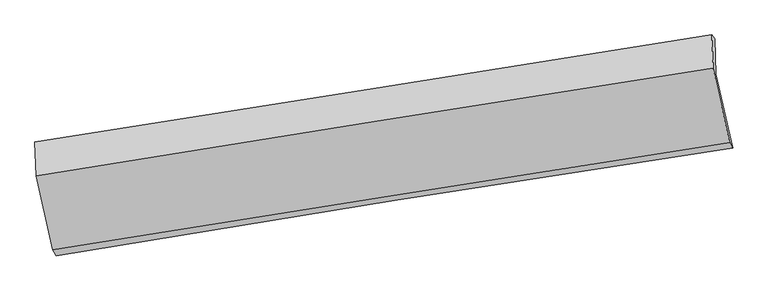
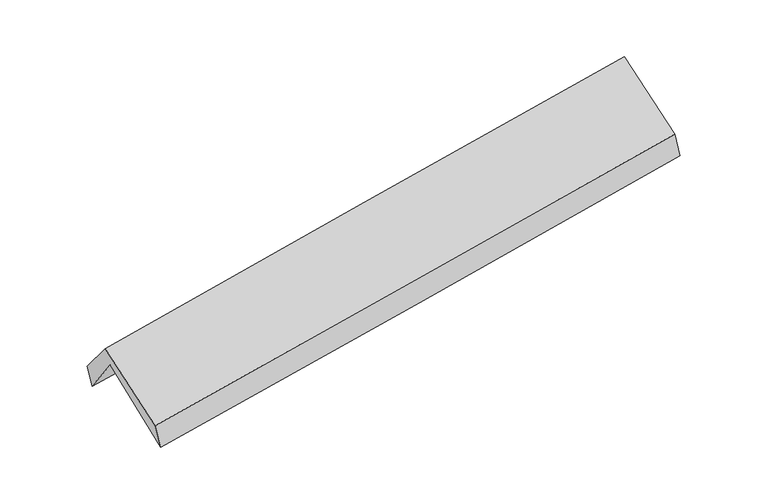
"""IFC4 building model written with IfcOpenShell, lengths in millimetres: proxy geometry."""

from ifc_helpers import new_model, si_unit, frame, origin, place, context, project, spatial, source, transform, mapped, element, save
from ifc_brep_helpers import plane_surface, spline_curve, spline_surface, advanced_brep


def generic_models_ea0997cc(model_context):
    return source(origin(), model_context, "Body", "AdvancedBrep", [
        advanced_brep(
        [(-2264.2676601, -2467.1407673, 1494.1979925), (-2383.3471133, -1957.7204396, 1940.254179), (2315.5506262, -1204.9016033, 2342.2048101), (2431.2562439, -1719.2215946, 1922.4493798), (-2391.4162876, -1712.2400113, 1610.3847268), (2306.2267929, -959.8433148, 2026.690924), (-2410.9585192, -1678.630931, 1768.9209257), (2287.0259862, -933.10384, 2196.9036441), (-2400.9132812, -1914.7990358, 2061.0631095), (2295.8541483, -1165.1344041, 2495.6442638), (-2285.7383791, -2426.8028871, 1662.5547146), (2410.1345105, -1680.7509214, 2094.1533826)],
        [
            (0, 1),
            (1, 2, spline_curve(3, [(-2383.3471133, -1957.7204396, 1940.254179), (-1598.981508458, -1834.77120891, 1997.935835415), (-815.224377543, -1710.561769666, 2060.272502321), (751.074871774, -1459.622163895, 2194.256022924), (1533.616987606, -1332.891990881, 2265.902899654), (2315.5506262, -1204.9016033, 2342.2048101)], [4, 2, 4], [0.0, 7.832913917164651, 15.665847202175286])),
            (2, 3),
            (3, 0, spline_curve(3, [(2431.2562439, -1719.2215946, 1922.4493798), (1648.629571129, -1837.077119778, 1839.751412484), (866.022092471, -1958.3315611, 1762.714775933), (-699.152542229, -2207.63796888, 1619.964341751), (-1481.719698076, -2335.689918216, 1554.250515561), (-2264.2676601, -2467.1407673, 1494.1979925)], [4, 2, 4], [0.0, 7.832933285010634, 15.665847202175286])),
            (1, 4),
            (4, 5, spline_curve(3, [(-2391.4162876, -1712.2400113, 1610.3847268), (-1606.969659142, -1588.805791895, 1666.230941777), (-823.276571416, -1464.389036144, 1728.846181315), (742.60445913, -1213.590141991, 1867.614880046), (1524.792398195, -1087.207999107, 1943.768373084), (2306.2267929, -959.8433148, 2026.690924)], [4, 2, 4], [0.0, 7.834396306726694, 15.668811984964762])),
            (5, 2),
            (4, 6),
            (6, 7, spline_curve(3, [(-2410.9585192, -1678.630931, 1768.9209257), (-1627.829187332, -1554.651083716, 1839.133336037), (-844.766296444, -1430.533979447, 1909.904722793), (721.2285389, -1182.024949719, 2052.56562638), (1504.160483314, -1057.633023645, 2124.455145473), (2287.0259862, -933.10384, 2196.9036441)], [4, 2, 4], [0.0, 7.834451657738864, 15.668922687125963])),
            (7, 5),
            (6, 8),
            (8, 9, spline_curve(3, [(-2400.9132812, -1914.7990358, 2061.0631095), (-1618.460255711, -1787.629196491, 2133.339489148), (-835.83694158, -1661.572299844, 2205.692730463), (729.752200934, -1411.684083817, 2350.553114629), (1512.718029649, -1287.85276983, 2423.060258379), (2295.8541483, -1165.1344041, 2495.6442638)], [4, 2, 4], [0.0, 7.834650238655046, 15.669319849449344])),
            (9, 7),
            (8, 10),
            (10, 11, spline_curve(3, [(-2285.7383791, -2426.8028871, 1662.5547146), (-1503.1213785, -2301.599099533, 1733.198866982), (-720.490621071, -2176.826284855, 1804.487453393), (844.800342056, -1928.142294294, 1948.35367287), (1627.460547905, -1804.231120174, 2020.931308923), (2410.1345105, -1680.7509214, 2094.1533826)], [4, 2, 4], [0.0, 7.833285472693404, 15.666590314151508])),
            (11, 9),
            (10, 0),
            (3, 11),
        ],
        [
            spline_surface(3, 3, [[(-2264.2676601, -2467.1407673, 1494.1979925), (-1481.719698077, -2335.689918256, 1554.250515583), (-699.152542173, -2207.63796885, 1619.964341625), (866.022092414, -1958.331561129, 1762.714776059), (1648.629571145, -1837.07711966, 1839.751412455), (2431.2562439, -1719.2215946, 1922.4493798)], [(-2303.960811164, -2297.333991405, 1642.883387994), (-1520.806968167, -2168.717015148, 1702.145622167), (-737.843153981, -2041.945902458, 1766.733728509), (827.70635225, -1792.095095355, 1906.561858354), (1610.292043308, -1669.015410108, 1981.801908201), (2392.687704663, -1547.781597519, 2062.367856549)], [(-2343.653962236, -2127.527215495, 1791.568783506), (-1559.894238266, -2001.744112024, 1850.040728767), (-776.533765835, -1876.253836106, 1913.503115406), (789.390612039, -1625.858629621, 2050.408940661), (1571.954515481, -1500.953700498, 2123.852403999), (2354.119165437, -1376.341600381, 2202.286333351)], [(-2383.3471133, -1957.7204396, 1940.254179), (-1598.981508356, -1834.771208915, 1997.935835351), (-815.224377643, -1710.561769714, 2060.27250229), (751.074871875, -1459.622163847, 2194.256022956), (1533.616987644, -1332.891990946, 2265.902899744), (2315.5506262, -1204.9016033, 2342.2048101)]], [4, 4], [4, 2, 4], [0.0, 2.203957841697392], [0.0, 7.832913917164651, 15.665847202175286]),
            spline_surface(3, 3, [[(-2383.3471133, -1957.7204396, 1940.254179), (-1598.981508356, -1834.771208915, 1997.935835351), (-815.224377643, -1710.561769714, 2060.27250229), (751.074871875, -1459.622163847, 2194.256022956), (1533.616987644, -1332.891990946, 2265.902899744), (2315.5506262, -1204.9016033, 2342.2048101)], [(-2386.036838068, -1875.893630151, 1830.297694935), (-1601.644225311, -1752.782736539, 1887.367537509), (-817.908442227, -1628.504191852, 1949.797061919), (748.251400977, -1377.611489953, 2085.375642), (1530.675457822, -1250.997326964, 2158.524724216), (2312.442681772, -1123.215507129, 2237.033514732)], [(-2388.726562832, -1794.066820749, 1720.341210865), (-1604.306942261, -1670.79426421, 1776.799239662), (-820.592506847, -1546.44661391, 1839.321621596), (745.427930043, -1295.60081598, 1976.495261091), (1527.733927983, -1169.102662995, 2051.14654869), (2309.334737328, -1041.529410971, 2131.862219368)], [(-2391.4162876, -1712.2400113, 1610.3847268), (-1606.969659216, -1588.805791834, 1666.23094182), (-823.276571431, -1464.389036048, 1728.846181226), (742.604459145, -1213.590142087, 1867.614880135), (1524.792398161, -1087.207999013, 1943.768373161), (2306.2267929, -959.8433148, 2026.690924)]], [4, 4], [4, 2, 4], [0.0, 1.3483326844665133], [0.0, 7.834396306726694, 15.668811984964762]),
            spline_surface(3, 3, [[(-2391.4162876, -1712.2400113, 1610.3847268), (-1606.969659216, -1588.805791834, 1666.23094182), (-823.276571431, -1464.389036048, 1728.846181226), (742.604459145, -1213.590142087, 1867.614880135), (1524.792398161, -1087.207999013, 1943.768373161), (2306.2267929, -959.8433148, 2026.690924)], [(-2397.930364806, -1701.036984558, 1663.230126425), (-1613.922835241, -1577.420889135, 1723.8650732), (-830.439813135, -1453.104017159, 1789.199028454), (735.479152407, -1203.068411294, 1929.26512885), (1517.915093201, -1077.349673901, 2003.997297278), (2299.826523992, -950.930156528, 2083.428497375)], [(-2404.444441994, -1689.833957742, 1716.075526075), (-1620.876011249, -1566.035986363, 1781.499204604), (-837.603054806, -1441.818998308, 1849.551875674), (728.353845704, -1192.54668054, 1990.915377556), (1511.037788267, -1067.491348804, 2064.22622137), (2293.426255108, -942.016998272, 2140.166070725)], [(-2410.9585192, -1678.630931, 1768.9209257), (-1627.829187274, -1554.651083663, 1839.133335984), (-844.76629651, -1430.533979418, 1909.904722902), (721.228538966, -1182.024949747, 2052.565626271), (1504.160483307, -1057.633023692, 2124.455145487), (2287.0259862, -933.10384, 2196.9036441)]], [4, 4], [4, 2, 4], [0.0, 0.6139644546633398], [0.0, 7.834451657738864, 15.668922687125963]),
            spline_surface(3, 3, [[(-2410.9585192, -1678.630931, 1768.9209257), (-1627.829187274, -1554.651083663, 1839.133335984), (-844.76629651, -1430.533979418, 1909.904722902), (721.228538966, -1182.024949747, 2052.565626271), (1504.160483307, -1057.633023692, 2124.455145487), (2287.0259862, -933.10384, 2196.9036441)], [(-2407.610106529, -1757.35363259, 1866.301653627), (-1624.706210119, -1632.310454564, 1937.202053713), (-841.789844834, -1507.546752915, 2008.50072539), (724.069759595, -1258.577994438, 2151.894789095), (1507.012998759, -1134.372939041, 2223.990183094), (2289.968706901, -1010.447361355, 2296.483850652)], [(-2404.261693871, -1836.07633421, 1963.682381573), (-1621.583232978, -1709.969825495, 2035.270771462), (-838.813393167, -1584.559526378, 2107.096727869), (726.910980215, -1335.131039095, 2251.223951911), (1509.865514205, -1211.112854427, 2323.525220745), (2292.911427599, -1087.790882745, 2396.064057248)], [(-2400.9132812, -1914.7990358, 2061.0631095), (-1618.460255824, -1787.629196396, 2133.339489191), (-835.836941491, -1661.572299875, 2205.692730357), (729.752200845, -1411.684083786, 2350.553114735), (1512.718029657, -1287.852769777, 2423.060258352), (2295.8541483, -1165.1344041, 2495.6442638)]], [4, 4], [4, 2, 4], [0.0, 1.2331726384408443], [0.0, 7.834650238655046, 15.669319849449344]),
            spline_surface(3, 3, [[(-2400.9132812, -1914.7990358, 2061.0631095), (-1618.460255824, -1787.629196396, 2133.339489191), (-835.836941491, -1661.572299875, 2205.692730357), (729.752200845, -1411.684083786, 2350.553114735), (1512.718029657, -1287.852769777, 2423.060258352), (2295.8541483, -1165.1344041, 2495.6442638)], [(-2362.521647145, -2085.466986245, 1928.226977865), (-1580.013963327, -1958.952497445, 1999.959281746), (-797.38816801, -1833.323628216, 2071.957638034), (768.101581253, -1583.836820586, 2216.486634115), (1550.965535751, -1459.978886619, 2289.017275247), (2333.947602365, -1337.006576548, 2361.813970079)], [(-2324.130013155, -2256.134936655, 1795.390846235), (-1541.567670895, -2130.275798459, 1866.579074306), (-758.939394548, -2005.07495659, 1938.222545711), (806.450961643, -1755.989557418, 2082.420153495), (1589.213041852, -1632.105003416, 2154.974292106), (2372.041056435, -1508.878748952, 2227.983676321)], [(-2285.7383791, -2426.8028871, 1662.5547146), (-1503.121378398, -2301.599099508, 1733.198866861), (-720.490621067, -2176.826284931, 1804.487453389), (844.800342052, -1928.142294218, 1948.353672874), (1627.460547947, -1804.231120258, 2020.931309001), (2410.1345105, -1680.7509214, 2094.1533826)]], [4, 4], [4, 2, 4], [0.0, 2.1780989366148087], [0.0, 7.833285472693404, 15.666590314151508]),
            spline_surface(3, 3, [[(-2285.7383791, -2426.8028871, 1662.5547146), (-1503.121378398, -2301.599099508, 1733.198866861), (-720.490621067, -2176.826284931, 1804.487453389), (844.800342052, -1928.142294218, 1948.353672874), (1627.460547947, -1804.231120258, 2020.931309001), (2410.1345105, -1680.7509214, 2094.1533826)], [(-2278.581472789, -2440.248847151, 1606.435807254), (-1495.98748498, -2312.962705742, 1673.549416456), (-713.377928128, -2187.096846237, 1742.979749481), (851.874258814, -1938.205383188, 1886.474040617), (1634.51688902, -1815.179786713, 1960.538010165), (2417.175088307, -1693.574479121, 2036.918715013)], [(-2271.424566411, -2453.694807249, 1550.316899846), (-1488.853591495, -2324.326312022, 1613.899965988), (-706.265235112, -2197.367407545, 1681.472045532), (858.948175652, -1948.26847216, 1824.594408317), (1641.573230073, -1826.128453206, 1900.144711291), (2424.215666093, -1706.398036879, 1979.684047387)], [(-2264.2676601, -2467.1407673, 1494.1979925), (-1481.719698077, -2335.689918256, 1554.250515583), (-699.152542173, -2207.63796885, 1619.964341625), (866.022092414, -1958.331561129, 1762.714776059), (1648.629571145, -1837.07711966, 1839.751412455), (2431.2562439, -1719.2215946, 1922.4493798)]], [4, 4], [4, 2, 4], [0.0, 0.6193587276596135], [0.0, 7.8316675062352665, 15.663354377234612]),
            plane_surface(frame((2341.0080513, -1277.1592797, 2179.6744007), z_axis=(0.9847862381994037, 0.15013036351875964, 0.08750393707024062), x_axis=(0.17226155535226, -0.777219301181949, -0.6051909735099021))),
            plane_surface(frame((-2356.1068734, -2026.2223454, 1756.2292747), z_axis=(-0.9843440374862571, -0.15208118103176593, -0.08909618533493667), x_axis=(-0.12307801041738718, 0.23123147618435103, 0.9650822803125667))),
        ],
        [
            (0, [[1, 2, 3, 4]]),
            (1, [[5, 6, 7, -2]]),
            (2, [[8, 9, 10, -6]]),
            (3, [[11, 12, 13, -9]]),
            (4, [[14, 15, 16, -12]]),
            (5, [[17, -4, 18, -15]]),
            (6, [[-16, -18, -3, -7, -10, -13]]),
            (7, [[-17, -14, -11, -8, -5, -1]]),
        ],
    ),
    ])


if __name__ == "__main__":
    model = new_model("IFC4")
    model_context = context("Model", 3, world=origin())
    ifc_project = project(units=[si_unit("LENGTHUNIT", "METRE", prefix="MILLI")], contexts=[model_context])
    site = spatial("IfcSite", under=ifc_project)
    building = spatial("IfcBuilding", under=site)
    placement = place(None, origin())
    generic_models_shape = generic_models_ea0997cc(model_context)
    element("IfcBuildingElementProxy", 1, Name="Generic Models", at=placement, inside=building, context=model_context, shape_type="MappedRepresentation", body=[
        mapped(generic_models_shape, transform((0.0, 0.0, 0.0), x_axis=(1.0, 0.0, 0.0), y_axis=(0.0, 1.0, 0.0), z_axis=(0.0, 0.0, 1.0))),
    ])
    save(model, "model.ifc")
